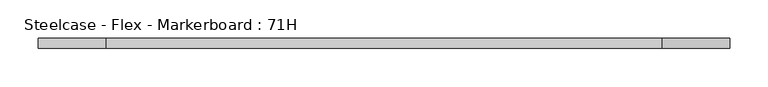
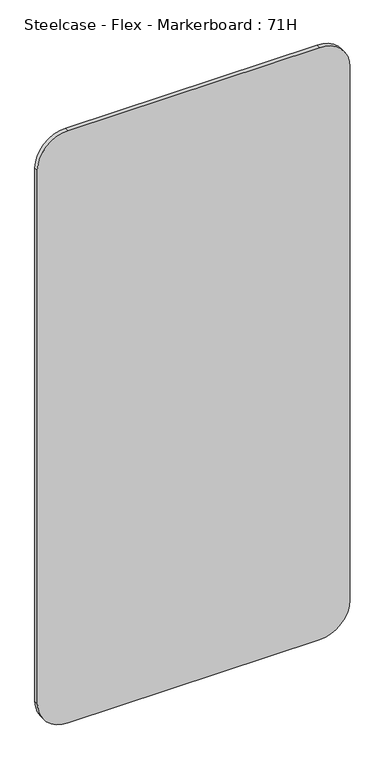
"""IFC4 building model written with IfcOpenShell, lengths in millimetres: furniture geometry, Steelcase - Flex - Markerboard : 71H."""

import ifcopenshell
import ifcopenshell.guid

model = None  # the IFC model being written
_history = None  # IfcOwnerHistory: only IFC2X3 demands one
_inside = {}  # id of a spatial element -> (the spatial element, [elements in it])
_under = {}  # id of a project, library or spatial element -> (it, [spatial elements below it])
_declared = {}  # id of a project -> (the project, [libraries it declares])
_typed = {}  # id of a type object -> (the type object, [elements of that type])
_made_of = {}  # id of a material, layer set ... -> (it, [elements and type objects made of it])


def new_model(schema):
    """Start an empty IFC model of exactly this schema.

    Asked for "IFC4X3", IfcOpenShell would pick the latest addendum, in which some entities
    have other attributes; the version numbers below select the first issue.
    IFC2X3 requires an IfcOwnerHistory on every rooted entity: one is made here for all.
    """
    global model, _history
    if schema == "IFC4X3":
        model = ifcopenshell.file(schema_version=(4, 3, 0, 0))
    else:
        model = ifcopenshell.file(schema=schema)
    _inside.clear()
    _under.clear()
    _declared.clear()
    _typed.clear()
    _made_of.clear()
    _history = None
    if model.schema == "IFC2X3":
        org = make("IfcOrganization", Name="unknown")
        user = make(
            "IfcPersonAndOrganization",
            ThePerson=make("IfcPerson", FamilyName="unknown"),
            TheOrganization=org,
        )
        app = make(
            "IfcApplication",
            ApplicationDeveloper=org,
            Version="unknown",
            ApplicationFullName="unknown",
            ApplicationIdentifier="unknown",
        )
        _history = make(
            "IfcOwnerHistory",
            OwningUser=user,
            OwningApplication=app,
            ChangeAction="ADDED",
            CreationDate=0,
        )
    return model


def make(cls, **values):
    """One entity of the class cls with the attributes given. An attribute that is None is left unset."""
    return model.create_entity(
        cls, **{name: value for name, value in values.items() if value is not None}
    )


def rooted(cls, **values):
    """An entity with a GlobalId (a new one), such as an element, a storey or a relation."""
    return make(cls, GlobalId=ifcopenshell.guid.new(), OwnerHistory=_history, **values)


def si_unit(unit_type, name, prefix=None):
    """IfcSIUnit, for example si_unit("LENGTHUNIT", "METRE", prefix="MILLI")."""
    return make("IfcSIUnit", UnitType=unit_type, Prefix=prefix, Name=name)


def assignment(units):
    """IfcUnitAssignment: the units of a project."""
    return None if units is None else make("IfcUnitAssignment", Units=units)


def point(xyz):
    """IfcCartesianPoint."""
    return None if xyz is None else make("IfcCartesianPoint", Coordinates=xyz)


def direction(xyz):
    """IfcDirection."""
    return None if xyz is None else make("IfcDirection", DirectionRatios=xyz)


def frame(location, z_axis=None, x_axis=None):
    """IfcAxis2Placement3D, a coordinate frame: its origin and axes. An axis left out is left unset."""
    return make(
        "IfcAxis2Placement3D",
        Location=point(location),
        Axis=direction(z_axis),
        RefDirection=direction(x_axis),
    )


def frame_2d(location, x_axis=None):
    """IfcAxis2Placement2D, a coordinate frame in the plane: its origin and x axis."""
    return make(
        "IfcAxis2Placement2D", Location=point(location), RefDirection=direction(x_axis)
    )


def origin():
    """The frame at (0, 0, 0) with its axes left unset."""
    return frame((0.0, 0.0, 0.0))


def place(relative_to, where):
    """IfcLocalPlacement: puts the frame where relative to a parent placement (None: the world)."""
    return make(
        "IfcLocalPlacement", PlacementRelTo=relative_to, RelativePlacement=where
    )


def context(
    kind, dimensions, precision=None, world=None, true_north=None, identifier=None
):
    """IfcGeometricRepresentationContext, for example the 3D "Model" context."""
    return make(
        "IfcGeometricRepresentationContext",
        ContextIdentifier=identifier,
        ContextType=kind,
        CoordinateSpaceDimension=dimensions,
        Precision=precision,
        WorldCoordinateSystem=world,
        TrueNorth=true_north,
    )


def project(units=None, contexts=None):
    """IfcProject with its units and contexts."""
    return rooted(
        "IfcProject",
        Name="project",
        RepresentationContexts=contexts,
        UnitsInContext=assignment(units),
    )


def spatial(cls, under=None, at=None, **own):
    """A site, building, storey or space (cls), placed at a placement, below another one or the project."""
    s = rooted(cls, ObjectPlacement=at, **own)
    if under is not None:
        _under.setdefault(under.id(), (under, []))[1].append(s)
    return s


def polyline(points):
    """IfcPolyline through the points."""
    return make("IfcPolyline", Points=[point(p) for p in points])


def circle_curve(where, radius):
    """IfcCircle in the frame where."""
    return make("IfcCircle", Position=where, Radius=radius)


def trimmed(basis, trim1, trim2, sense, master):
    """IfcTrimmedCurve: the piece of a basis curve between two trims."""
    return make(
        "IfcTrimmedCurve",
        BasisCurve=basis,
        Trim1=trim1,
        Trim2=trim2,
        SenseAgreement=sense,
        MasterRepresentation=master,
    )


def segment(curve, same_sense, transition):
    """IfcCompositeCurveSegment."""
    return make(
        "IfcCompositeCurveSegment",
        Transition=transition,
        SameSense=same_sense,
        ParentCurve=curve,
    )


def composite_curve(segments, self_intersect=None):
    """IfcCompositeCurve: segments joined end to end."""
    return make("IfcCompositeCurve", Segments=segments, SelfIntersect=self_intersect)


def outline(outer, holes=None, kind="AREA"):
    """IfcArbitraryClosedProfileDef: a profile drawn as a closed curve; with holes, ...WithVoids."""
    if holes is None:
        return make("IfcArbitraryClosedProfileDef", ProfileType=kind, OuterCurve=outer)
    return make(
        "IfcArbitraryProfileDefWithVoids",
        ProfileType=kind,
        OuterCurve=outer,
        InnerCurves=holes,
    )


def extrude(swept, where, along, depth):
    """IfcExtrudedAreaSolid: the profile swept, set in the frame where, extruded along a direction by depth."""
    return make(
        "IfcExtrudedAreaSolid",
        SweptArea=swept,
        Position=where,
        ExtrudedDirection=direction(along),
        Depth=depth,
    )


def shape(context_of_items, identifier, shape_type, items):
    """IfcShapeRepresentation: the items that make up one representation, for example the "Body"."""
    return make(
        "IfcShapeRepresentation",
        ContextOfItems=context_of_items,
        RepresentationIdentifier=identifier,
        RepresentationType=shape_type,
        Items=items,
    )


def source(mapping_origin, context_of_items, identifier, shape_type, items):
    """IfcRepresentationMap: a shape defined once, which mapped items show again and again."""
    return make(
        "IfcRepresentationMap",
        MappingOrigin=mapping_origin,
        MappedRepresentation=shape(context_of_items, identifier, shape_type, items),
    )


def transform(
    local_origin,
    x_axis=None,
    y_axis=None,
    z_axis=None,
    scale=None,
    scale2=None,
    scale3=None,
    uniform=True,
):
    """IfcCartesianTransformationOperator3D, or its non-uniform kind. x_axis, y_axis, z_axis: its Axis1, 2, 3."""
    if uniform:
        return make(
            "IfcCartesianTransformationOperator3D",
            Axis1=direction(x_axis),
            Axis2=direction(y_axis),
            LocalOrigin=point(local_origin),
            Scale=scale,
            Axis3=direction(z_axis),
        )
    return make(
        "IfcCartesianTransformationOperator3DnonUniform",
        Axis1=direction(x_axis),
        Axis2=direction(y_axis),
        LocalOrigin=point(local_origin),
        Scale=scale,
        Axis3=direction(z_axis),
        Scale2=scale2,
        Scale3=scale3,
    )


def mapped(mapping_source, mapping_target):
    """IfcMappedItem: shows the shape of a source again, moved by a transform."""
    return make(
        "IfcMappedItem", MappingSource=mapping_source, MappingTarget=mapping_target
    )


def made_of(thing, what):
    """Note that an element or type object is made of a material, layer set ...; save() writes the relation."""
    if what is not None:
        _made_of.setdefault(what.id(), (what, []))[1].append(thing)
    return thing


def element(
    cls,
    number,
    at=None,
    inside=None,
    cuts=None,
    type_object=None,
    material=None,
    context=None,
    identifier="Body",
    shape_type=None,
    held_by="IfcProductDefinitionShape",
    body=None,
    shapes=None,
    **own,
):
    """One element of the class cls, such as IfcWall. Its Tag is "e" and its number.

    at: its placement. inside: the storey or other place that contains it. cuts: it is an
    opening in that element (IfcRelVoidsElement). A single representation is given by context,
    identifier, shape_type and body (its items); several are given by shapes. held_by: the class
    of the entity that holds the representations. save() writes the other relations.
    """
    e = rooted(cls, Tag="e%d" % number, ObjectPlacement=at, **own)
    if body is not None:
        shapes = [shape(context, identifier, shape_type, body)]
    if shapes is not None:
        e.Representation = make(held_by, Representations=shapes)
    if inside is not None:
        _inside.setdefault(inside.id(), (inside, []))[1].append(e)
    if cuts is not None:
        rooted(
            "IfcRelVoidsElement", RelatingBuildingElement=cuts, RelatedOpeningElement=e
        )
    if type_object is not None:
        _typed.setdefault(type_object.id(), (type_object, []))[1].append(e)
    return made_of(e, material)


def aggregate(whole, parts):
    """IfcRelAggregates: a whole, such as a stair, and the parts it consists of."""
    return rooted("IfcRelAggregates", RelatingObject=whole, RelatedObjects=parts)


def save(model, path):
    """Write the relations noted so far, then the file.

    IfcRelAggregates (storeys below a building ...), IfcRelContainedInSpatialStructure (elements
    in a storey), IfcRelDefinesByType, IfcRelAssociatesMaterial and IfcRelDeclares: one each for
    every whole, place, type object, material and project.
    """
    for whole, parts in _under.values():
        aggregate(whole, parts)
    for where, things in _inside.values():
        rooted(
            "IfcRelContainedInSpatialStructure",
            RelatedElements=things,
            RelatingStructure=where,
        )
    for kind, things in _typed.values():
        rooted("IfcRelDefinesByType", RelatedObjects=things, RelatingType=kind)
    for what, things in _made_of.values():
        rooted("IfcRelAssociatesMaterial", RelatedObjects=things, RelatingMaterial=what)
    for by, libraries in _declared.values():
        rooted("IfcRelDeclares", RelatingContext=by, RelatedDefinitions=libraries)
    model.write(path)


def steelcase_flex_markerboard_71h_751fbf49(model_context):
    return source(origin(), model_context, "Body", "SweptSolid", [
        extrude(outline(composite_curve([segment(polyline([(1803.4, 812.8), (1803.4, 88.9)]), True, "CONTINUOUS"), segment(trimmed(circle_curve(frame_2d((1714.5, 88.9)), 88.9), [point((1803.4, 88.9))], [point((1714.5, 0.0))], False, "CARTESIAN"), True, "CONTINUOUS"), segment(polyline([(1714.5, 0.0), (88.9, 0.0)]), True, "CONTINUOUS"), segment(trimmed(circle_curve(frame_2d((88.9, 88.9)), 88.9), [point((88.9, 0.0))], [point((0.0, 88.9))], False, "CARTESIAN"), True, "CONTINUOUS"), segment(polyline([(0.0, 88.9), (0.0, 812.8)]), True, "CONTINUOUS"), segment(trimmed(circle_curve(frame_2d((88.9, 812.8)), 88.9), [point((0.0, 812.8))], [point((88.9, 901.7))], False, "CARTESIAN"), True, "CONTINUOUS"), segment(polyline([(88.9, 901.7), (1714.5, 901.7)]), True, "CONTINUOUS"), segment(trimmed(circle_curve(frame_2d((1714.5, 812.8)), 88.9), [point((1714.5, 901.7))], [point((1803.4, 812.8))], False, "CARTESIAN"), True, "CONTINUOUS")], self_intersect=False)), frame((0.0, -12.69542, 0.0), z_axis=(0.0, 1.0, 0.0), x_axis=(0.0, 0.0, 1.0)), (0.0, 0.0, 1.0), 12.69542),
    ])


if __name__ == "__main__":
    model = new_model("IFC4")
    model_context = context("Model", 3, world=origin())
    ifc_project = project(units=[si_unit("LENGTHUNIT", "METRE", prefix="MILLI")], contexts=[model_context])
    site = spatial("IfcSite", under=ifc_project)
    building = spatial("IfcBuilding", under=site)
    placement = place(None, origin())
    steelcase_flex_markerboard_71h_shape = steelcase_flex_markerboard_71h_751fbf49(model_context)
    element("IfcFurniture", 1, ObjectType="Steelcase - Flex - Markerboard : 71H", at=placement, inside=building, context=model_context, shape_type="MappedRepresentation", body=[
        mapped(steelcase_flex_markerboard_71h_shape, transform((0.0, 0.0, 0.0), x_axis=(1.0, 0.0, 0.0), y_axis=(0.0, 1.0, 0.0), z_axis=(0.0, 0.0, 1.0))),
    ])
    save(model, "model.ifc")
